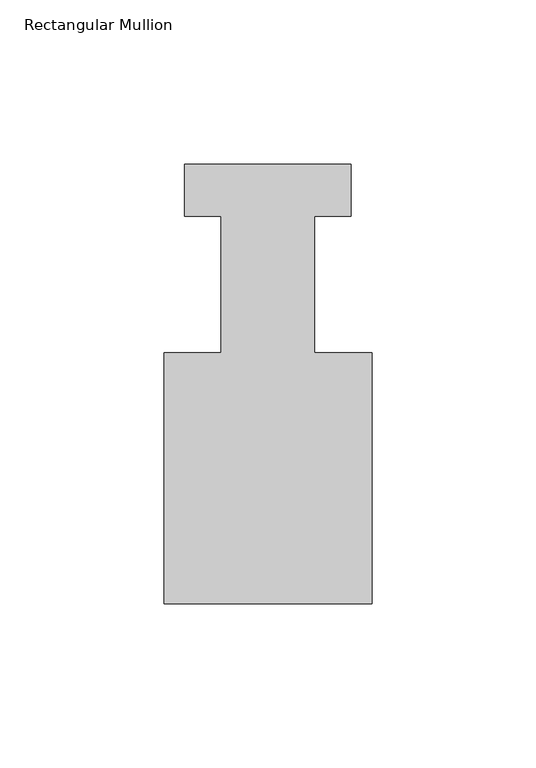
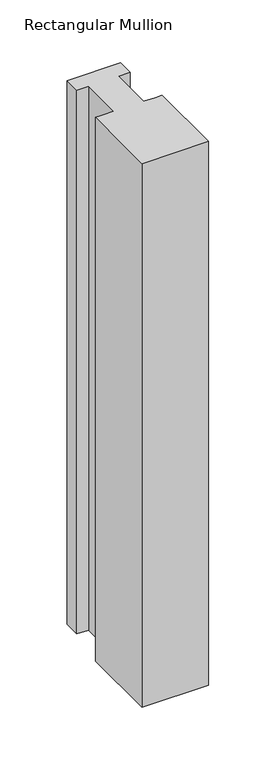
"""IFC4 building model written with IfcOpenShell, lengths in millimetres: member geometry, Rectangular Mullion."""

from ifc_helpers import new_model, si_unit, frame, origin, place, context, project, spatial, polyline, outline, extrude, source, transform, mapped, element, save


def rectangular_mullion_24620181(model_context):
    return source(origin(), model_context, "Body", "SweptSolid", [
        extrude(outline(polyline([(-31.75, -6.746875), (-25.4, -6.746875), (-14.2748, -6.746875), (-14.2748, 34.883725), (-25.4, 34.883725), (-25.4, 50.758725), (25.4, 50.758725), (25.4, 34.883725), (14.2748, 34.883725), (14.2748, -6.746875), (25.4, -6.746875), (31.75, -6.746875), (31.75, -83.277075), (-31.75, -83.277075), (-31.75, -6.746875)])), frame((0.0, 0.0, -546.9448662), z_axis=(0.0, 0.0, 1.0), x_axis=(1.0, 0.0, 0.0)), (0.0, 0.0, 1.0), 546.9448662),
    ])


if __name__ == "__main__":
    model = new_model("IFC4")
    model_context = context("Model", 3, world=origin())
    ifc_project = project(units=[si_unit("LENGTHUNIT", "METRE", prefix="MILLI")], contexts=[model_context])
    site = spatial("IfcSite", under=ifc_project)
    building = spatial("IfcBuilding", under=site)
    placement = place(None, origin())
    rectangular_mullion_shape = rectangular_mullion_24620181(model_context)
    element("IfcMember", 1, ObjectType="Rectangular Mullion", at=placement, inside=building, context=model_context, shape_type="MappedRepresentation", body=[
        mapped(rectangular_mullion_shape, transform((0.0, 0.0, 0.0), x_axis=(1.0, 0.0, 0.0), y_axis=(0.0, 1.0, 0.0), z_axis=(0.0, 0.0, 1.0))),
    ])
    save(model, "model.ifc")
